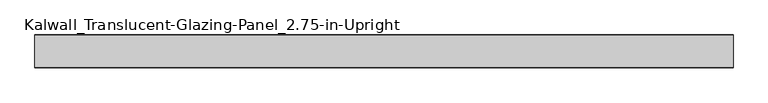
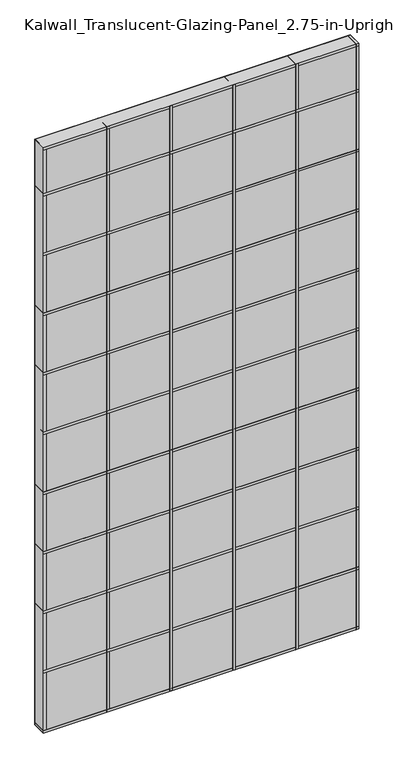
"""IFC4 building model written with IfcOpenShell, lengths in millimetres: plate geometry, Kalwall_Translucent-Glazing-Panel_2.75-in-Upright."""

from ifc_helpers import new_model, si_unit, frame, origin, origin_with_axes, place, context, project, spatial, polyline, outline, extrude, source, transform, mapped, element, save


def kalwall_translucent_glazing_panel_2_75_in_upright_08db01b9(model_context):
    return source(origin(), model_context, "Body", "SweptSolid", [
        extrude(outline(polyline([(762.0, 34.925), (762.0, -34.925), (-762.0, -34.925), (-762.0, 34.925), (762.0, 34.925)])), origin_with_axes(), (0.0, 0.0, 1.0), 2990.85),
        extrude(outline(polyline([(762.0, 35.71875), (762.0, -35.71875), (-762.0, -35.71875), (-762.0, 35.71875), (762.0, 35.71875)])), frame((0.0, 0.0, 2743.2), z_axis=(0.0, 0.0, 1.0), x_axis=(1.0, 0.0, 0.0)), (0.0, 0.0, 1.0), 12.7),
        extrude(outline(polyline([(469.9, 35.71875), (469.9, -35.71875), (457.2, -35.71875), (457.2, 35.71875), (469.9, 35.71875)])), origin_with_axes(), (0.0, 0.0, 1.0), 2990.85),
        extrude(outline(polyline([(165.1, 35.71875), (165.1, -35.71875), (152.4, -35.71875), (152.4, 35.71875), (165.1, 35.71875)])), origin_with_axes(), (0.0, 0.0, 1.0), 2990.85),
        extrude(outline(polyline([(-139.7, 35.71875), (-139.7, -35.71875), (-152.4, -35.71875), (-152.4, 35.71875), (-139.7, 35.71875)])), origin_with_axes(), (0.0, 0.0, 1.0), 2990.85),
        extrude(outline(polyline([(762.0, 35.71875), (762.0, -35.71875), (-762.0, -35.71875), (-762.0, 35.71875), (762.0, 35.71875)])), frame((0.0, 0.0, 2438.4), z_axis=(0.0, 0.0, 1.0), x_axis=(1.0, 0.0, 0.0)), (0.0, 0.0, 1.0), 12.7),
        extrude(outline(polyline([(762.0, 35.71875), (762.0, -35.71875), (-762.0, -35.71875), (-762.0, 35.71875), (762.0, 35.71875)])), frame((0.0, 0.0, 2133.6), z_axis=(0.0, 0.0, 1.0), x_axis=(1.0, 0.0, 0.0)), (0.0, 0.0, 1.0), 12.7),
        extrude(outline(polyline([(762.0, 35.71875), (762.0, -35.71875), (-762.0, -35.71875), (-762.0, 35.71875), (762.0, 35.71875)])), frame((0.0, 0.0, 1828.8), z_axis=(0.0, 0.0, 1.0), x_axis=(1.0, 0.0, 0.0)), (0.0, 0.0, 1.0), 12.7),
        extrude(outline(polyline([(762.0, 35.71875), (762.0, -35.71875), (-762.0, -35.71875), (-762.0, 35.71875), (762.0, 35.71875)])), frame((0.0, 0.0, 1524.0), z_axis=(0.0, 0.0, 1.0), x_axis=(1.0, 0.0, 0.0)), (0.0, 0.0, 1.0), 12.7),
        extrude(outline(polyline([(762.0, 35.71875), (762.0, -35.71875), (-762.0, -35.71875), (-762.0, 35.71875), (762.0, 35.71875)])), frame((0.0, 0.0, 1219.2), z_axis=(0.0, 0.0, 1.0), x_axis=(1.0, 0.0, 0.0)), (0.0, 0.0, 1.0), 12.7),
        extrude(outline(polyline([(762.0, 35.71875), (762.0, -35.71875), (-762.0, -35.71875), (-762.0, 35.71875), (762.0, 35.71875)])), frame((0.0, 0.0, 914.4), z_axis=(0.0, 0.0, 1.0), x_axis=(1.0, 0.0, 0.0)), (0.0, 0.0, 1.0), 12.7),
        extrude(outline(polyline([(762.0, 35.71875), (762.0, -35.71875), (-762.0, -35.71875), (-762.0, 35.71875), (762.0, 35.71875)])), frame((0.0, 0.0, 609.6), z_axis=(0.0, 0.0, 1.0), x_axis=(1.0, 0.0, 0.0)), (0.0, 0.0, 1.0), 12.7),
        extrude(outline(polyline([(762.0, 35.71875), (762.0, -35.71875), (-762.0, -35.71875), (-762.0, 35.71875), (762.0, 35.71875)])), frame((0.0, 0.0, 2978.15), z_axis=(0.0, 0.0, 1.0), x_axis=(1.0, 0.0, 0.0)), (0.0, 0.0, 1.0), 12.7),
        extrude(outline(polyline([(762.0, 35.71875), (762.0, -35.71875), (-762.0, -35.71875), (-762.0, 35.71875), (762.0, 35.71875)])), frame((0.0, 0.0, 304.8), z_axis=(0.0, 0.0, 1.0), x_axis=(1.0, 0.0, 0.0)), (0.0, 0.0, 1.0), 12.7),
        extrude(outline(polyline([(762.0, 35.71875), (762.0, -35.71875), (-762.0, -35.71875), (-762.0, 35.71875), (762.0, 35.71875)])), origin_with_axes(), (0.0, 0.0, 1.0), 12.7),
        extrude(outline(polyline([(-444.5, 35.71875), (-444.5, -35.71875), (-457.2, -35.71875), (-457.2, 35.71875), (-444.5, 35.71875)])), origin_with_axes(), (0.0, 0.0, 1.0), 2990.85),
        extrude(outline(polyline([(762.0, 35.71875), (762.0, -35.71875), (749.3, -35.71875), (749.3, 35.71875), (762.0, 35.71875)])), origin_with_axes(), (0.0, 0.0, 1.0), 2990.85),
        extrude(outline(polyline([(-749.3, 35.71875), (-749.3, -35.71875), (-762.0, -35.71875), (-762.0, 35.71875), (-749.3, 35.71875)])), origin_with_axes(), (0.0, 0.0, 1.0), 2990.85),
    ])


if __name__ == "__main__":
    model = new_model("IFC4")
    model_context = context("Model", 3, world=origin())
    ifc_project = project(units=[si_unit("LENGTHUNIT", "METRE", prefix="MILLI")], contexts=[model_context])
    site = spatial("IfcSite", under=ifc_project)
    building = spatial("IfcBuilding", under=site)
    placement = place(None, origin())
    kalwall_translucent_glazing_panel_2_75_in_upright_shape = kalwall_translucent_glazing_panel_2_75_in_upright_08db01b9(model_context)
    element("IfcPlate", 1, ObjectType="Kalwall_Translucent-Glazing-Panel_2.75-in-Upright", at=placement, inside=building, context=model_context, shape_type="MappedRepresentation", body=[
        mapped(kalwall_translucent_glazing_panel_2_75_in_upright_shape, transform((0.0, 0.0, 0.0), x_axis=(1.0, 0.0, 0.0), y_axis=(0.0, 1.0, 0.0), z_axis=(0.0, 0.0, 1.0))),
    ])
    save(model, "model.ifc")
